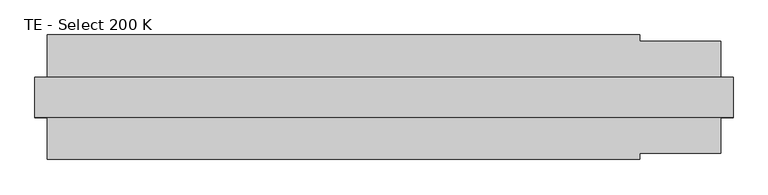
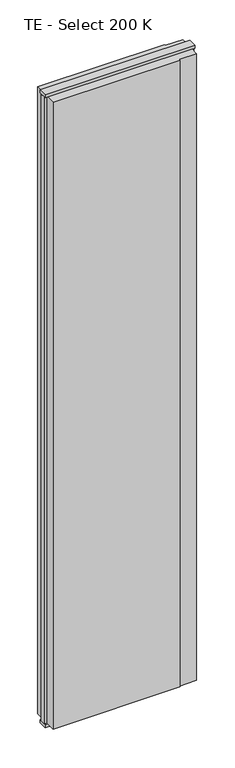
"""IFC4 building model written with IfcOpenShell, lengths in millimetres: plate geometry, TE - Select 200 K."""

from ifc_helpers import new_model, si_unit, frame, origin, origin_with_axes, place, context, project, spatial, polyline, outline, extrude, source, transform, mapped, element, save


def te_select_200_k_68da5272(model_context):
    return source(origin(), model_context, "Body", "SweptSolid", [
        extrude(outline(polyline([(410.5, 100.0), (410.5, 90.0), (540.5, 90.0), (540.5, 22.9993165), (560.5, 17.6401049), (560.5, -17.6401049), (540.5, -22.9993165), (540.5, -90.0), (410.5, -90.0), (410.5, -100.0), (-540.5, -100.0), (-540.5, -22.9993165), (-560.5, -17.6401049), (-560.5, 17.6401049), (-540.5, 22.9993165), (-540.5, 100.0), (410.5, 100.0)])), frame((0.0, 0.0, 25.0), z_axis=(0.0, 0.0, 1.0), x_axis=(1.0, 0.0, 0.0)), (0.0, 0.0, 1.0), 4950.0),
        extrude(outline(polyline([(560.5, 32.0), (560.5, -32.0), (-560.5, -32.0), (-560.5, 32.0), (560.5, 32.0)])), origin_with_axes(), (0.0, 0.0, 1.0), 25.0),
        extrude(outline(polyline([(560.5, 32.0), (560.5, -32.0), (-560.5, -32.0), (-560.5, 32.0), (560.5, 32.0)])), frame((0.0, 0.0, 4975.0), z_axis=(0.0, 0.0, 1.0), x_axis=(1.0, 0.0, 0.0)), (0.0, 0.0, 1.0), 25.0),
    ])


if __name__ == "__main__":
    model = new_model("IFC4")
    model_context = context("Model", 3, world=origin())
    ifc_project = project(units=[si_unit("LENGTHUNIT", "METRE", prefix="MILLI")], contexts=[model_context])
    site = spatial("IfcSite", under=ifc_project)
    building = spatial("IfcBuilding", under=site)
    placement = place(None, origin())
    te_select_200_k_shape = te_select_200_k_68da5272(model_context)
    element("IfcPlate", 1, ObjectType="TE - Select 200 K", at=placement, inside=building, context=model_context, shape_type="MappedRepresentation", body=[
        mapped(te_select_200_k_shape, transform((0.0, 0.0, 0.0), x_axis=(1.0, 0.0, 0.0), y_axis=(0.0, 1.0, 0.0), z_axis=(0.0, 0.0, 1.0))),
    ])
    save(model, "model.ifc")
